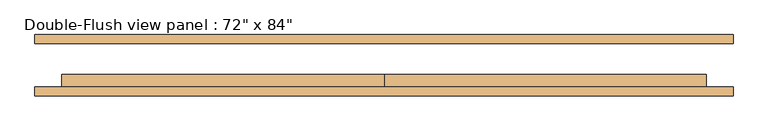
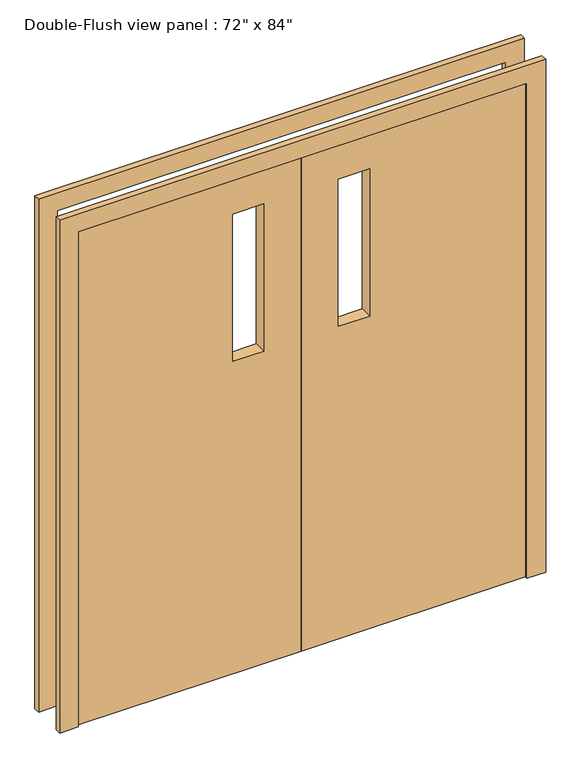
"""IFC4 building model written with IfcOpenShell, lengths in millimetres: door geometry."""

from ifc_helpers import new_model, si_unit, frame, origin, place, context, project, spatial, polyline, outline, extrude, source, transform, mapped, element, save


def door_975d68b9(model_context):
    return source(origin(), model_context, "Body", "SweptSolid", [
        extrude(outline(polyline([(2133.6, 0.0), (2133.6, -914.4), (0.0, -914.4), (0.0, 0.0), (2133.6, 0.0)]), holes=[polyline([(1981.2, -279.4), (1981.2, -152.4), (1346.2, -152.4), (1346.2, -279.4), (1981.2, -279.4)])]), frame((0.0, -76.2, 0.0), z_axis=(0.0, 1.0, 0.0), x_axis=(0.0, 0.0, 1.0)), (0.0, 0.0, 1.0), 50.8),
        extrude(outline(polyline([(2133.6, 0.0), (0.0, 0.0), (0.0, 914.4), (2133.6, 914.4), (2133.6, 0.0)]), holes=[polyline([(1981.2, 279.4), (1346.2, 279.4), (1346.2, 152.4), (1981.2, 152.4), (1981.2, 279.4)])]), frame((0.0, -76.2, 0.0), z_axis=(0.0, 1.0, 0.0), x_axis=(0.0, 0.0, 1.0)), (0.0, 0.0, 1.0), 50.8),
        extrude(outline(polyline([(2133.6, -914.4), (2133.6, 914.4), (0.0, 914.4), (0.0, 990.6), (2209.8, 990.6), (2209.8, -990.6), (0.0, -990.6), (0.0, -914.4), (2133.6, -914.4)])), frame((0.0, 61.9125, 0.0), z_axis=(0.0, 1.0, 0.0), x_axis=(0.0, 0.0, 1.0)), (0.0, 0.0, 1.0), 25.4),
        extrude(outline(polyline([(2133.6, -914.4), (2133.6, 914.4), (0.0, 914.4), (0.0, 990.6), (2209.8, 990.6), (2209.8, -990.6), (0.0, -990.6), (0.0, -914.4), (2133.6, -914.4)])), frame((0.0, -87.3125, 0.0), z_axis=(0.0, 1.0, 0.0), x_axis=(0.0, 0.0, 1.0)), (0.0, 0.0, 1.0), 25.4),
    ])


if __name__ == "__main__":
    model = new_model("IFC4")
    model_context = context("Model", 3, world=origin())
    ifc_project = project(units=[si_unit("LENGTHUNIT", "METRE", prefix="MILLI")], contexts=[model_context])
    site = spatial("IfcSite", under=ifc_project)
    building = spatial("IfcBuilding", under=site)
    placement = place(None, origin())
    door_shape = door_975d68b9(model_context)
    element("IfcDoor", 1, ObjectType="Double-Flush view panel : 72\" x 84\"", at=placement, inside=building, context=model_context, shape_type="MappedRepresentation", body=[
        mapped(door_shape, transform((0.0, 0.0, 0.0), x_axis=(1.0, 0.0, 0.0), y_axis=(0.0, 1.0, 0.0), z_axis=(0.0, 0.0, 1.0))),
    ])
    save(model, "model.ifc")
